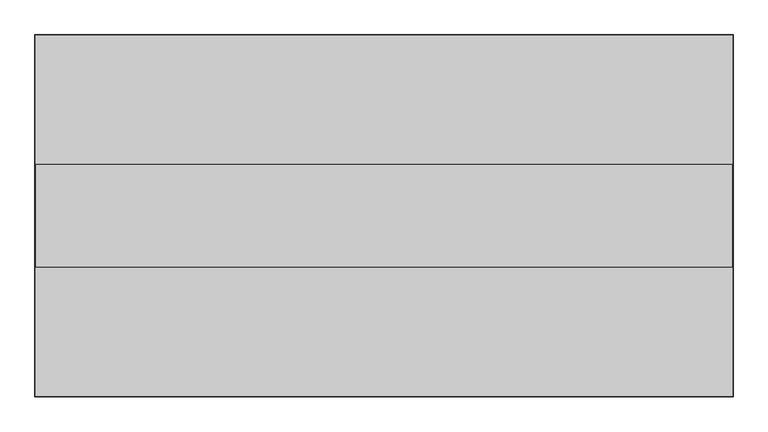
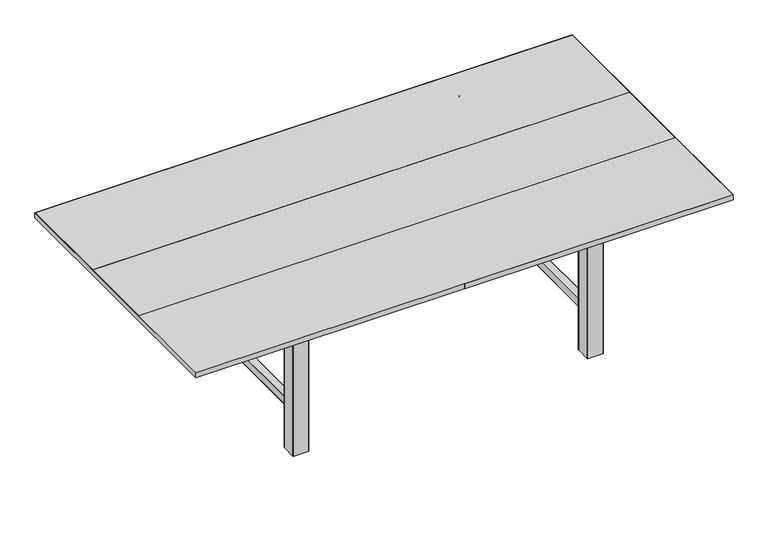
"""IFC4 building model written with IfcOpenShell, lengths in millimetres: furniture geometry."""

from ifc_helpers import new_model, si_unit, point, frame, frame_2d, origin, origin_with_axes, place, context, project, spatial, polyline, circle_curve, trimmed, segment, composite_curve, outline, extrude, source, transform, mapped, element, save


def furniture_ae94cd42(model_context):
    return source(origin(), model_context, "Body", "SweptSolid", [
        extrude(outline(polyline([(900.0, 710.0000091), (900.0, 730.0000091), (1400.0, 730.0000091), (1400.0, 703.0000091), (0.0, 703.0000091), (0.0, 730.0000091), (500.0, 730.0000091), (500.0, 710.0000091), (900.0, 710.0000091)])), frame((-2700.0, 0.0, 0.0), z_axis=(1.0, 0.0, 0.0), x_axis=(0.0, 1.0, 0.0)), (0.0, 0.0, 1.0), 2700.0),
        extrude(outline(polyline([(-1350.25, 1401.0), (-1350.25, 1400.0), (-2700.0, 1400.0), (-2700.0, 0.0), (-1350.25, 0.0), (-1350.25, -1.0), (-2701.0, -1.0), (-2701.0, 1401.0), (-1350.25, 1401.0)])), frame((0.0, 0.0, 703.0000091), z_axis=(0.0, 0.0, 1.0), x_axis=(1.0, 0.0, 0.0)), (0.0, 0.0, 1.0), 27.0),
        extrude(outline(polyline([(-1349.75, 1400.0), (-1349.75, 1401.0), (1.0, 1401.0), (1.0, -1.0), (-1349.75, -1.0), (-1349.75, 0.0), (0.0, 0.0), (0.0, 1400.0), (-1349.75, 1400.0)])), frame((0.0, 0.0, 703.0000091), z_axis=(0.0, 0.0, 1.0), x_axis=(1.0, 0.0, 0.0)), (0.0, 0.0, 1.0), 27.0),
        extrude(outline(polyline([(0.0, 900.0), (0.0, 500.0), (-2700.0, 500.0), (-2700.0, 900.0), (0.0, 900.0)])), frame((0.0, 0.0, 709.9999785), z_axis=(0.0, 0.0, 1.0), x_axis=(1.0, 0.0, 0.0)), (0.0, 0.0, 1.0), 20.0),
        extrude(outline(composite_curve([segment(trimmed(circle_curve(frame_2d((-571.9999928, 142.0000006)), 2.0), [point((-569.9999928, 142.0000006))], [point((-571.9999928, 140.0000006))], False, "CARTESIAN"), True, "CONTINUOUS"), segment(polyline([(-571.9999928, 140.0000006), (-647.9999928, 140.0000006)]), True, "CONTINUOUS"), segment(trimmed(circle_curve(frame_2d((-647.9999928, 142.0000006)), 2.0), [point((-647.9999928, 140.0000006))], [point((-649.9999928, 142.0000006))], False, "CARTESIAN"), True, "CONTINUOUS"), segment(polyline([(-649.9999928, 142.0000006), (-649.9999928, 218.0000006)]), True, "CONTINUOUS"), segment(trimmed(circle_curve(frame_2d((-647.9999928, 218.0000006)), 2.0), [point((-649.9999928, 218.0000006))], [point((-647.9999928, 220.0000006))], False, "CARTESIAN"), True, "CONTINUOUS"), segment(polyline([(-647.9999928, 220.0000006), (-571.9999928, 220.0000006)]), True, "CONTINUOUS"), segment(trimmed(circle_curve(frame_2d((-571.9999928, 218.0000006)), 2.0), [point((-571.9999928, 220.0000006))], [point((-569.9999928, 218.0000006))], False, "CARTESIAN"), True, "CONTINUOUS"), segment(polyline([(-569.9999928, 218.0000006), (-569.9999928, 142.0000006)]), True, "CONTINUOUS")], self_intersect=False)), origin_with_axes(), (0.0, 0.0, 1.0), 720.0),
        extrude(outline(composite_curve([segment(trimmed(circle_curve(frame_2d((-571.9999928, 1182.0000006)), 2.0), [point((-569.9999928, 1182.0000006))], [point((-571.9999928, 1180.0000006))], False, "CARTESIAN"), True, "CONTINUOUS"), segment(polyline([(-571.9999928, 1180.0000006), (-647.9999928, 1180.0000006)]), True, "CONTINUOUS"), segment(trimmed(circle_curve(frame_2d((-647.9999928, 1182.0000006)), 2.0), [point((-647.9999928, 1180.0000006))], [point((-649.9999928, 1182.0000006))], False, "CARTESIAN"), True, "CONTINUOUS"), segment(polyline([(-649.9999928, 1182.0000006), (-649.9999928, 1258.0000006)]), True, "CONTINUOUS"), segment(trimmed(circle_curve(frame_2d((-647.9999928, 1258.0000006)), 2.0), [point((-649.9999928, 1258.0000006))], [point((-647.9999928, 1260.0000006))], False, "CARTESIAN"), True, "CONTINUOUS"), segment(polyline([(-647.9999928, 1260.0000006), (-571.9999928, 1260.0000006)]), True, "CONTINUOUS"), segment(trimmed(circle_curve(frame_2d((-571.9999928, 1258.0000006)), 2.0), [point((-571.9999928, 1260.0000006))], [point((-569.9999928, 1258.0000006))], False, "CARTESIAN"), True, "CONTINUOUS"), segment(polyline([(-569.9999928, 1258.0000006), (-569.9999928, 1182.0000006)]), True, "CONTINUOUS")], self_intersect=False)), origin_with_axes(), (0.0, 0.0, 1.0), 720.0),
        extrude(outline(composite_curve([segment(trimmed(circle_curve(frame_2d((-2051.9999928, 1182.0000006)), 2.0), [point((-2049.9999928, 1182.0000006))], [point((-2051.9999928, 1180.0000006))], False, "CARTESIAN"), True, "CONTINUOUS"), segment(polyline([(-2051.9999928, 1180.0000006), (-2127.9999928, 1180.0000006)]), True, "CONTINUOUS"), segment(trimmed(circle_curve(frame_2d((-2127.9999928, 1182.0000006)), 2.0), [point((-2127.9999928, 1180.0000006))], [point((-2129.9999928, 1182.0000006))], False, "CARTESIAN"), True, "CONTINUOUS"), segment(polyline([(-2129.9999928, 1182.0000006), (-2129.9999928, 1258.0000006)]), True, "CONTINUOUS"), segment(trimmed(circle_curve(frame_2d((-2127.9999928, 1258.0000006)), 2.0), [point((-2129.9999928, 1258.0000006))], [point((-2127.9999928, 1260.0000006))], False, "CARTESIAN"), True, "CONTINUOUS"), segment(polyline([(-2127.9999928, 1260.0000006), (-2051.9999928, 1260.0000006)]), True, "CONTINUOUS"), segment(trimmed(circle_curve(frame_2d((-2051.9999928, 1258.0000006)), 2.0), [point((-2051.9999928, 1260.0000006))], [point((-2049.9999928, 1258.0000006))], False, "CARTESIAN"), True, "CONTINUOUS"), segment(polyline([(-2049.9999928, 1258.0000006), (-2049.9999928, 1182.0000006)]), True, "CONTINUOUS")], self_intersect=False)), origin_with_axes(), (0.0, 0.0, 1.0), 720.0),
        extrude(outline(composite_curve([segment(trimmed(circle_curve(frame_2d((-2051.9999928, 142.0000006)), 2.0), [point((-2049.9999928, 142.0000006))], [point((-2051.9999928, 140.0000006))], False, "CARTESIAN"), True, "CONTINUOUS"), segment(polyline([(-2051.9999928, 140.0000006), (-2127.9999928, 140.0000006)]), True, "CONTINUOUS"), segment(trimmed(circle_curve(frame_2d((-2127.9999928, 142.0000006)), 2.0), [point((-2127.9999928, 140.0000006))], [point((-2129.9999928, 142.0000006))], False, "CARTESIAN"), True, "CONTINUOUS"), segment(polyline([(-2129.9999928, 142.0000006), (-2129.9999928, 218.0000006)]), True, "CONTINUOUS"), segment(trimmed(circle_curve(frame_2d((-2127.9999928, 218.0000006)), 2.0), [point((-2129.9999928, 218.0000006))], [point((-2127.9999928, 220.0000006))], False, "CARTESIAN"), True, "CONTINUOUS"), segment(polyline([(-2127.9999928, 220.0000006), (-2051.9999928, 220.0000006)]), True, "CONTINUOUS"), segment(trimmed(circle_curve(frame_2d((-2051.9999928, 218.0000006)), 2.0), [point((-2051.9999928, 220.0000006))], [point((-2049.9999928, 218.0000006))], False, "CARTESIAN"), True, "CONTINUOUS"), segment(polyline([(-2049.9999928, 218.0000006), (-2049.9999928, 142.0000006)]), True, "CONTINUOUS")], self_intersect=False)), origin_with_axes(), (0.0, 0.0, 1.0), 720.0),
        extrude(outline(composite_curve([segment(trimmed(circle_curve(frame_2d((242.0, -628.9999928)), 1.0), [point((243.0, -628.9999928))], [point((242.0, -629.9999928))], False, "CARTESIAN"), True, "CONTINUOUS"), segment(polyline([(242.0, -629.9999928), (204.0, -629.9999928)]), True, "CONTINUOUS"), segment(trimmed(circle_curve(frame_2d((204.0, -628.9999928)), 1.0), [point((204.0, -629.9999928))], [point((203.0, -628.9999928))], False, "CARTESIAN"), True, "CONTINUOUS"), segment(polyline([(203.0, -628.9999928), (203.0, -590.9999928)]), True, "CONTINUOUS"), segment(trimmed(circle_curve(frame_2d((204.0, -590.9999928)), 1.0), [point((203.0, -590.9999928))], [point((204.0, -589.9999928))], False, "CARTESIAN"), True, "CONTINUOUS"), segment(polyline([(204.0, -589.9999928), (242.0, -589.9999928)]), True, "CONTINUOUS"), segment(trimmed(circle_curve(frame_2d((242.0, -590.9999928)), 1.0), [point((242.0, -589.9999928))], [point((243.0, -590.9999928))], False, "CARTESIAN"), True, "CONTINUOUS"), segment(polyline([(243.0, -590.9999928), (243.0, -628.9999928)]), True, "CONTINUOUS")], self_intersect=False)), frame((0.0, 220.0000006, 0.0), z_axis=(0.0, 1.0, 0.0), x_axis=(0.0, 0.0, 1.0)), (0.0, 0.0, 1.0), 960.0),
        extrude(outline(composite_curve([segment(trimmed(circle_curve(frame_2d((242.0, -2070.9999928)), 1.0), [point((242.0, -2069.9999928))], [point((243.0, -2070.9999928))], False, "CARTESIAN"), True, "CONTINUOUS"), segment(polyline([(243.0, -2070.9999928), (243.0, -2108.9999928)]), True, "CONTINUOUS"), segment(trimmed(circle_curve(frame_2d((242.0, -2108.9999928)), 1.0), [point((243.0, -2108.9999928))], [point((242.0, -2109.9999928))], False, "CARTESIAN"), True, "CONTINUOUS"), segment(polyline([(242.0, -2109.9999928), (204.0, -2109.9999928)]), True, "CONTINUOUS"), segment(trimmed(circle_curve(frame_2d((204.0, -2108.9999928)), 1.0), [point((204.0, -2109.9999928))], [point((203.0, -2108.9999928))], False, "CARTESIAN"), True, "CONTINUOUS"), segment(polyline([(203.0, -2108.9999928), (203.0, -2070.9999928)]), True, "CONTINUOUS"), segment(trimmed(circle_curve(frame_2d((204.0, -2070.9999928)), 1.0), [point((203.0, -2070.9999928))], [point((204.0, -2069.9999928))], False, "CARTESIAN"), True, "CONTINUOUS"), segment(polyline([(204.0, -2069.9999928), (242.0, -2069.9999928)]), True, "CONTINUOUS")], self_intersect=False)), frame((0.0, 220.0000006, 0.0), z_axis=(0.0, 1.0, 0.0), x_axis=(0.0, 0.0, 1.0)), (0.0, 0.0, 1.0), 960.0),
        extrude(outline(composite_curve([segment(trimmed(circle_curve(frame_2d((624.0, -610.9999928)), 1.0), [point((623.0, -610.9999928))], [point((624.0, -609.9999928))], False, "CARTESIAN"), True, "CONTINUOUS"), segment(polyline([(624.0, -609.9999928), (703.0, -609.9999928), (703.0, -649.9999928), (624.0, -649.9999928)]), True, "CONTINUOUS"), segment(trimmed(circle_curve(frame_2d((624.0, -648.9999928)), 1.0), [point((624.0, -649.9999928))], [point((623.0, -648.9999928))], False, "CARTESIAN"), True, "CONTINUOUS"), segment(polyline([(623.0, -648.9999928), (623.0, -610.9999928)]), True, "CONTINUOUS")], self_intersect=False)), frame((0.0, 220.0000006, 0.0), z_axis=(0.0, 1.0, 0.0), x_axis=(0.0, 0.0, 1.0)), (0.0, 0.0, 1.0), 960.0),
        extrude(outline(polyline([(-649.9999928, 334.7500006), (-2049.9999928, 334.7500006), (-2049.9999928, 374.7500006), (-649.9999928, 374.7500006), (-649.9999928, 334.7500006)])), frame((0.0, 0.0, 663.0), z_axis=(0.0, 0.0, 1.0), x_axis=(1.0, 0.0, 0.0)), (0.0, 0.0, 1.0), 40.0),
        extrude(outline(polyline([(-2049.9999928, 1065.2500006), (-649.9999928, 1065.2500006), (-649.9999928, 1025.2500006), (-2049.9999928, 1025.2500006), (-2049.9999928, 1065.2500006)])), frame((0.0, 0.0, 663.0), z_axis=(0.0, 0.0, 1.0), x_axis=(1.0, 0.0, 0.0)), (0.0, 0.0, 1.0), 40.0),
        extrude(outline(composite_curve([segment(trimmed(circle_curve(frame_2d((624.0, -2088.9999928)), 1.0), [point((624.0, -2089.9999928))], [point((623.0, -2088.9999928))], False, "CARTESIAN"), True, "CONTINUOUS"), segment(polyline([(623.0, -2088.9999928), (623.0, -2050.9999928)]), True, "CONTINUOUS"), segment(trimmed(circle_curve(frame_2d((624.0, -2050.9999928)), 1.0), [point((623.0, -2050.9999928))], [point((624.0, -2049.9999928))], False, "CARTESIAN"), True, "CONTINUOUS"), segment(polyline([(624.0, -2049.9999928), (703.0, -2049.9999928), (703.0, -2089.9999928), (624.0, -2089.9999928)]), True, "CONTINUOUS")], self_intersect=False)), frame((0.0, 220.0000006, 0.0), z_axis=(0.0, 1.0, 0.0), x_axis=(0.0, 0.0, 1.0)), (0.0, 0.0, 1.0), 960.0),
        extrude(outline(polyline([(-2393.4999928, 480.0000006), (-2393.4999928, 920.0000006), (-306.4999928, 920.0000006), (-306.4999928, 480.0000006), (-2393.4999928, 480.0000006)]), holes=[polyline([(-1782.5999928, 520.0000006), (-1782.5999928, 880.0000006), (-2353.4999928, 880.0000006), (-2353.4999928, 520.0000006), (-1782.5999928, 520.0000006)]), polyline([(-973.9999928, 520.0000006), (-973.9999928, 880.0000006), (-1725.9999928, 880.0000006), (-1725.9999928, 520.0000006), (-973.9999928, 520.0000006)]), polyline([(-346.4999928, 880.0000006), (-917.3999928, 880.0000006), (-917.3999928, 520.0000006), (-346.4999928, 520.0000006), (-346.4999928, 880.0000006)])]), frame((0.0, 0.0, 663.0), z_axis=(0.0, 0.0, 1.0), x_axis=(1.0, 0.0, 0.0)), (0.0, 0.0, 1.0), 40.0),
        extrude(outline(polyline([(-2069.9999928, 720.0000006), (-629.9999928, 720.0000006), (-629.9999928, 680.0000006), (-2069.9999928, 680.0000006), (-2069.9999928, 720.0000006)])), frame((0.0, 0.0, 203.0), z_axis=(0.0, 0.0, 1.0), x_axis=(1.0, 0.0, 0.0)), (0.0, 0.0, 1.0), 40.0),
        extrude(outline(polyline([(663.0, -973.9999928), (243.0, -1349.9999928), (243.0, -1293.3999928), (663.0, -917.3999928), (663.0, -973.9999928)])), frame((0.0, 680.0000006, 0.0), z_axis=(0.0, 1.0, 0.0), x_axis=(0.0, 0.0, 1.0)), (0.0, 0.0, 1.0), 40.0),
        extrude(outline(polyline([(243.0, -1349.9999928), (663.0, -1725.9999928), (663.0, -1782.5999928), (243.0, -1406.5999928), (243.0, -1349.9999928)])), frame((0.0, 680.0000006, 0.0), z_axis=(0.0, 1.0, 0.0), x_axis=(0.0, 0.0, 1.0)), (0.0, 0.0, 1.0), 40.0),
    ])


if __name__ == "__main__":
    model = new_model("IFC4")
    model_context = context("Model", 3, world=origin())
    ifc_project = project(units=[si_unit("LENGTHUNIT", "METRE", prefix="MILLI")], contexts=[model_context])
    site = spatial("IfcSite", under=ifc_project)
    building = spatial("IfcBuilding", under=site)
    placement = place(None, origin())
    furniture_shape = furniture_ae94cd42(model_context)
    element("IfcFurniture", 1, at=placement, inside=building, context=model_context, shape_type="MappedRepresentation", body=[
        mapped(furniture_shape, transform((0.0, 0.0, 0.0), x_axis=(1.0, 0.0, 0.0), y_axis=(0.0, 1.0, 0.0), z_axis=(0.0, 0.0, 1.0))),
    ])
    save(model, "model.ifc")
